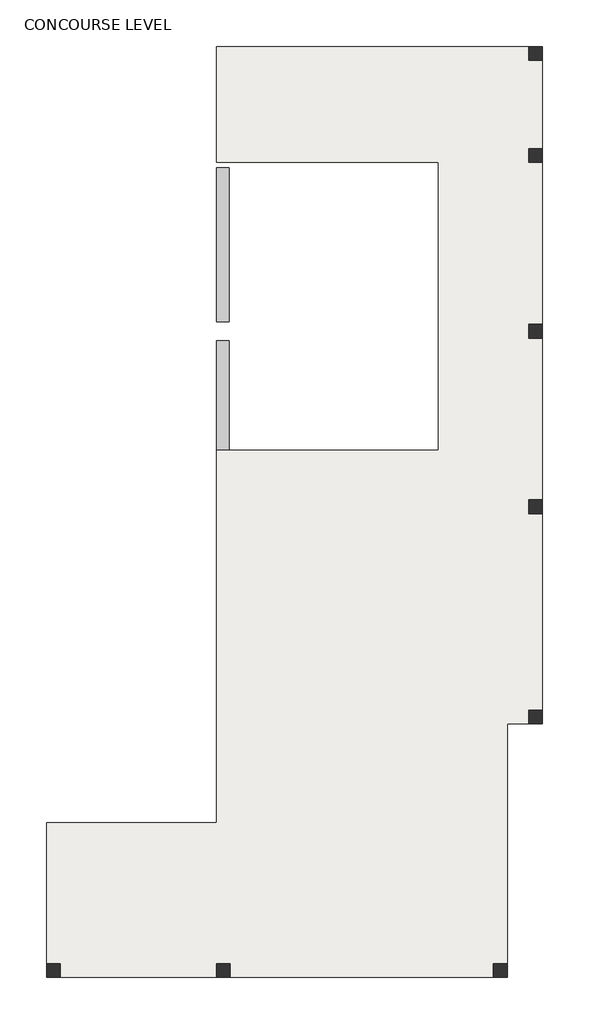
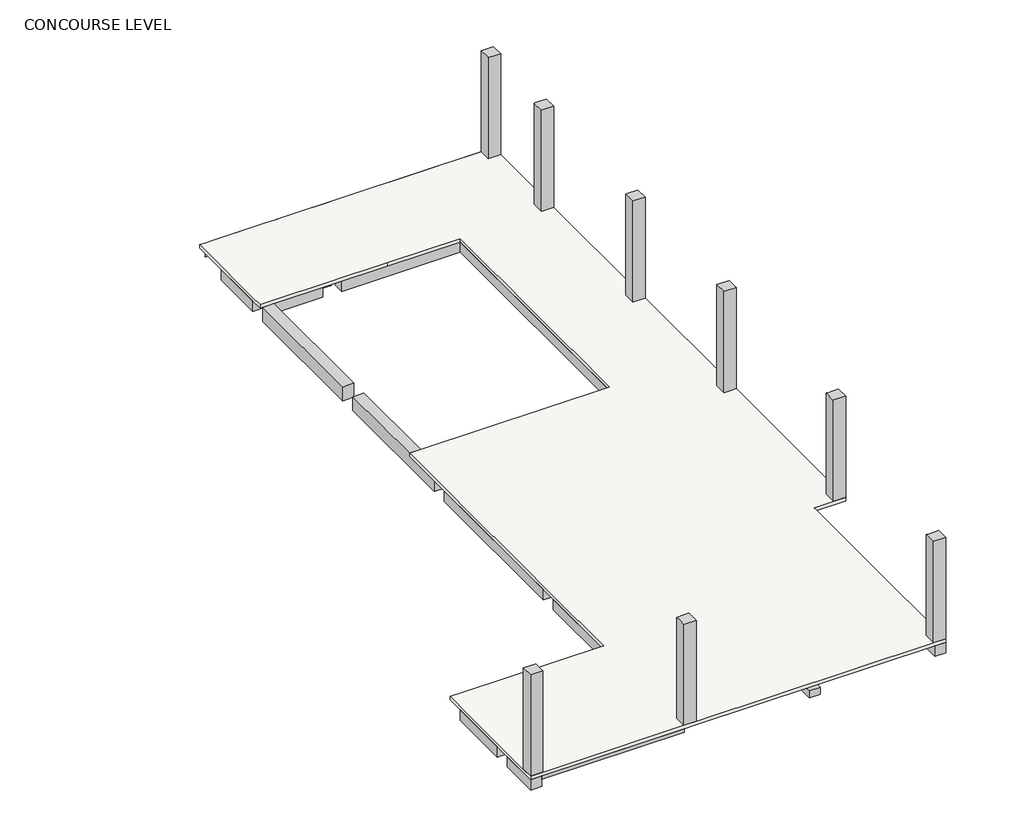
# One storey: 29 beams, 8 columns, 1 slab.
"""IFC4 building model written with IfcOpenShell, lengths in millimetres."""

from ifc_helpers import new_model, si_unit, frame, origin, place, context, project, spatial, polyline, outline, extrude, faceted_brep, element, save

model = new_model("IFC4")

# Units and contexts
model_context = context("Model", 3, world=origin())
ifc_project = project(units=[si_unit("LENGTHUNIT", "METRE", prefix="MILLI")], contexts=[model_context])

# Site, building, storey
site = spatial("IfcSite", under=ifc_project)
building = spatial("IfcBuilding", under=site)
storey = spatial("IfcBuildingStorey", under=building, Name="CONCOURSE LEVEL", Elevation=2372.8300869)

# Beams
placement = place(None, origin())
element("IfcBeam", 1, ObjectType="SFA_BEAM : 300x300mm", at=placement, inside=storey, context=model_context, shape_type="SweptSolid", body=[
    extrude(outline(polyline([(44200.0, -105.0), (44200.0, 195.0), (50005.0, 195.0), (50005.0, -105.0), (44200.0, -105.0)])), frame((0.0, 0.0, 1922.8300869), z_axis=(0.0, 0.0, 1.0), x_axis=(1.0, 0.0, 0.0)), (0.0, 0.0, 1.0), 150.0),
])
element("IfcBeam", 2, ObjectType="SFA_BEAM : 450x600mm", at=placement, inside=storey, context=model_context, shape_type="Brep", body=[
    faceted_brep([(50430.0, 32460.0, 1622.8300869), (49980.0, 32460.0, 1622.8300869), (49980.0, 32460.0, 2072.8300869), (50430.0, 32460.0, 2072.8300869), (50430.0, 30241.2049246, 2072.8300869), (50430.0, 30241.2049246, 1622.8300869), (49980.0, 30241.2049246, 1622.8300869), (49980.0, 30241.2049246, 2072.8300869)], [[[0, 1, 2, 3]], [[0, 3, 4, 5]], [[1, 0, 5, 6]], [[2, 1, 6, 7]], [[3, 2, 7, 4]], [[5, 4, 7, 6]]]),
    faceted_brep([(49980.0, 23900.0, 2222.8300869), (50430.0, 23900.0, 2222.8300869), (50430.0, 29541.2049246, 2222.8300869), (49980.0, 29541.2049246, 2222.8300869), (50430.0, 23900.0, 1622.8300869), (49980.0, 23900.0, 1622.8300869), (50430.0, 29541.2049246, 1622.8300869), (49980.0, 29541.2049246, 1622.8300869)], [[[0, 1, 2, 3]], [[4, 1, 0, 5]], [[3, 2, 6, 7]], [[1, 4, 6, 2]], [[4, 5, 7, 6]], [[5, 0, 3, 7]]]),
    faceted_brep([(50430.0, 19205.0, 2072.8300869), (49980.0, 19205.0, 2072.8300869), (49980.0, 17480.0, 2072.8300869), (50430.0, 17480.0, 2072.8300869), (50430.0, 18705.0, 2072.8300869), (50430.0, 19205.0, 2222.8300869), (49980.0, 19205.0, 2222.8300869), (50430.0, 17480.0, 1622.8300869), (49980.0, 17480.0, 1622.8300869), (50430.0, 23200.0, 2222.8300869), (50430.0, 23200.0, 1622.8300869), (49980.0, 23200.0, 1622.8300869), (49980.0, 23200.0, 2222.8300869), (50430.0, 18705.0, 1622.8300869), (50430.0, 19205.0, 1622.8300869)], [[[0, 1, 2, 3, 4]], [[1, 0, 5, 6]], [[7, 3, 2, 8]], [[9, 10, 11, 12]], [[5, 0, 4, 3, 7, 13, 14, 10, 9]], [[7, 8, 11, 10, 14, 13]], [[1, 6, 12, 11, 8, 2]], [[6, 5, 9, 12]]]),
    faceted_brep([(50430.0, 2230.0, 1622.8300869), (50430.0, 2230.0, 2072.8300869), (49980.0, 2230.0, 2072.8300869), (49980.0, 2230.0, 1622.8300869), (50430.0, 4850.0, 2072.8300869), (50430.0, 4850.0, 1622.8300869), (49980.0, 4850.0, 1622.8300869), (49980.0, 4850.0, 2072.8300869)], [[[0, 1, 2, 3]], [[4, 5, 6, 7]], [[1, 0, 5, 4]], [[0, 3, 6, 5]], [[3, 2, 7, 6]], [[2, 1, 4, 7]]]),
    faceted_brep([(50430.0, 5550.0, 1622.8300869), (50430.0, 5550.0, 2072.8300869), (49980.0, 5550.0, 2072.8300869), (49980.0, 5550.0, 1622.8300869), (50430.0, 9080.0, 2072.8300869), (50430.0, 9080.0, 1622.8300869), (49980.0, 9080.0, 1622.8300869), (49980.0, 9080.0, 2072.8300869), (50430.0, 7075.0, 1622.8300869), (50430.0, 7525.0, 1622.8300869), (50430.0, 7525.0, 2072.8300869), (50430.0, 7075.0, 2072.8300869)], [[[0, 1, 2, 3]], [[4, 5, 6, 7]], [[1, 0, 8, 9, 5, 4, 10, 11]], [[0, 3, 6, 5, 9, 8]], [[3, 2, 7, 6]], [[7, 2, 1, 11, 10, 4]]]),
    faceted_brep([(50430.0, 9780.0, 1622.8300869), (50430.0, 9780.0, 2072.8300869), (49980.0, 9780.0, 2072.8300869), (49980.0, 9780.0, 1622.8300869), (50430.0, 16780.0, 2072.8300869), (50430.0, 16780.0, 1622.8300869), (49980.0, 16780.0, 1622.8300869), (49980.0, 16780.0, 2072.8300869), (50430.0, 14405.0, 1622.8300869), (50430.0, 14855.0, 1622.8300869), (50430.0, 14855.0, 2072.8300869), (50430.0, 14405.0, 2072.8300869)], [[[0, 1, 2, 3]], [[4, 5, 6, 7]], [[1, 0, 8, 9, 5, 4, 10, 11]], [[0, 3, 6, 5, 9, 8]], [[3, 2, 7, 6]], [[7, 2, 1, 11, 10, 4]]]),
])
element("IfcBeam", 3, ObjectType="SFA_BEAM : 450x600mm", at=placement, inside=storey, context=model_context, shape_type="Brep", body=[
    faceted_brep([(53307.0, 29740.0, 1622.8300869), (58117.0, 29740.0, 1622.8300869), (58617.0, 29740.0, 1622.8300869), (60127.0, 29740.0, 1622.8300869), (60127.0, 29740.0, 2072.8300869), (58617.0, 29740.0, 2072.8300869), (58117.0, 29740.0, 2072.8300869), (53307.0, 29740.0, 2072.8300869), (60127.0, 30190.0, 1622.8300869), (53307.0, 30190.0, 1622.8300869), (56442.0, 30190.0, 1622.8300869), (56892.0, 30190.0, 1622.8300869), (53307.0, 30190.0, 2072.8300869), (56442.0, 30190.0, 2072.8300869), (56892.0, 30190.0, 2072.8300869), (60127.0, 30190.0, 2072.8300869)], [[[0, 1, 2, 3, 4, 5, 6, 7]], [[8, 3, 2, 1, 0, 9, 10, 11]], [[8, 11, 10, 9, 12, 13, 14, 15]], [[3, 8, 15, 4]], [[9, 0, 7, 12]], [[7, 6, 5, 4, 15, 14, 13, 12]]]),
])
element("IfcBeam", 4, ObjectType="SFA_BEAM : 450x600mm", at=placement, inside=storey, context=model_context, shape_type="Brep", body=[
    faceted_brep([(60627.0, 30365.0, 2072.8300869), (60627.0, 30365.0, 1622.8300869), (60627.0, 33474.5570666, 1622.8300869), (60627.0, 33474.5570666, 2072.8300869), (60177.0, 30365.0, 1622.8300869), (60177.0, 33474.5570666, 1622.8300869), (60177.0, 30365.0, 2072.8300869), (60177.0, 33474.5570666, 2072.8300869)], [[[0, 1, 2, 3]], [[1, 4, 5, 2]], [[4, 6, 7, 5]], [[4, 1, 0, 6]], [[6, 0, 3, 7]], [[3, 2, 5, 7]]]),
    faceted_brep([(60177.0, 9805.0, 1622.8300869), (60627.0, 9805.0, 1622.8300869), (60627.0, 9805.0, 2072.8300869), (60177.0, 9805.0, 2072.8300869), (60627.0, 16755.0, 1622.8300869), (60177.0, 16755.0, 1622.8300869), (60177.0, 16755.0, 2072.8300869), (60627.0, 16755.0, 2072.8300869), (60627.0, 13405.0, 1622.8300869), (60627.0, 13855.0, 1622.8300869), (60627.0, 13855.0, 2072.8300869), (60627.0, 13405.0, 2072.8300869), (60177.0, 11905.0, 1622.8300869), (60177.0, 12355.0, 1622.8300869), (60177.0, 14405.0, 1622.8300869), (60177.0, 14855.0, 1622.8300869), (60177.0, 11905.0, 2072.8300869), (60177.0, 12355.0, 2072.8300869), (60177.0, 14405.0, 2072.8300869), (60177.0, 14855.0, 2072.8300869)], [[[0, 1, 2, 3]], [[4, 5, 6, 7]], [[2, 1, 8, 9, 4, 7, 10, 11]], [[1, 0, 12, 13, 14, 15, 5, 4, 9, 8]], [[0, 3, 16, 17, 18, 19, 6, 5, 15, 14, 13, 12]], [[3, 2, 11, 10, 7, 6, 19, 18, 17, 16]]]),
    faceted_brep([(60177.0, 17505.0, 1622.8300869), (60627.0, 17505.0, 1622.8300869), (60627.0, 17505.0, 2072.8300869), (60177.0, 17505.0, 2072.8300869), (60627.0, 23175.0, 1622.8300869), (60177.0, 23175.0, 1622.8300869), (60177.0, 23175.0, 2072.8300869), (60627.0, 23175.0, 2072.8300869), (60627.0, 20115.0, 1622.8300869), (60627.0, 20565.0, 1622.8300869), (60627.0, 20565.0, 2072.8300869), (60627.0, 20115.0, 2072.8300869), (60177.0, 18705.0, 1622.8300869), (60177.0, 19205.0, 1622.8300869), (60177.0, 18705.0, 2072.8300869), (60177.0, 19205.0, 2072.8300869)], [[[0, 1, 2, 3]], [[4, 5, 6, 7]], [[2, 1, 8, 9, 4, 7, 10, 11]], [[1, 0, 12, 13, 5, 4, 9, 8]], [[0, 3, 14, 15, 6, 5, 13, 12]], [[3, 2, 11, 10, 7, 6, 15, 14]]]),
    faceted_brep([(60177.0, 23925.0, 1622.8300869), (60627.0, 23925.0, 1622.8300869), (60627.0, 23925.0, 2072.8300869), (60177.0, 23925.0, 2072.8300869), (60627.0, 29615.0, 1622.8300869), (60177.0, 29615.0, 1622.8300869), (60177.0, 29615.0, 2072.8300869), (60627.0, 29615.0, 2072.8300869), (60627.0, 26560.0, 1622.8300869), (60627.0, 27010.0, 1622.8300869), (60627.0, 27010.0, 2072.8300869), (60627.0, 26560.0, 2072.8300869)], [[[0, 1, 2, 3]], [[4, 5, 6, 7]], [[2, 1, 8, 9, 4, 7, 10, 11]], [[1, 0, 5, 4, 9, 8]], [[0, 3, 6, 5]], [[3, 2, 11, 10, 7, 6]]]),
])
element("IfcBeam", 5, ObjectType="SFA_BEAM : 450x600mm", at=placement, inside=storey, context=model_context, shape_type="Brep", body=[
    faceted_brep([(61902.0, 23325.0, 2072.8300869), (61617.0, 23325.0, 2072.8300869), (60627.0, 23325.0, 2072.8300869), (60627.0, 23325.0, 1622.8300869), (61902.0, 23325.0, 1622.8300869), (61902.0, 23325.0, 1922.8300869), (60627.0, 23775.0, 1622.8300869), (61902.0, 23775.0, 1622.8300869), (60627.0, 23775.0, 2072.8300869), (61617.0, 23775.0, 2072.8300869), (61902.0, 23775.0, 2072.8300869), (61902.0, 23775.0, 1922.8300869)], [[[0, 1, 2, 3, 4, 5]], [[3, 6, 7, 4]], [[8, 9, 10, 11, 7, 6]], [[6, 3, 2, 8]], [[2, 1, 0, 10, 9, 8]], [[4, 7, 11, 10, 0, 5]]]),
    faceted_brep([(60127.0, 23325.0, 1622.8300869), (60127.0, 23325.0, 2072.8300869), (58617.0, 23325.0, 2072.8300869), (58617.0, 23325.0, 1622.8300869), (60127.0, 23775.0, 1622.8300869), (58617.0, 23775.0, 1622.8300869), (60127.0, 23775.0, 2072.8300869), (58617.0, 23775.0, 2072.8300869)], [[[0, 1, 2, 3]], [[4, 0, 3, 5]], [[6, 4, 5, 7]], [[0, 4, 6, 1]], [[1, 6, 7, 2]], [[3, 2, 7, 5]]]),
])
element("IfcBeam", 6, ObjectType="SFA_BEAM : 450x600mm", at=placement, inside=storey, context=model_context, shape_type="SweptSolid", body=[
    extrude(outline(polyline([(60127.0, 17355.0), (60127.0, 16905.0), (50480.0, 16905.0), (50480.0, 17355.0), (60127.0, 17355.0)])), frame((0.0, 0.0, 1622.8300869), z_axis=(0.0, 0.0, 1.0), x_axis=(1.0, 0.0, 0.0)), (0.0, 0.0, 1.0), 450.0),
])
element("IfcBeam", 7, ObjectType="SFA_BEAM : 450x600mm", at=placement, inside=storey, context=model_context, shape_type="SweptSolid", body=[
    extrude(outline(polyline([(51402.0, 9205.0), (51402.0, 9655.0), (60127.0, 9655.0), (60127.0, 9205.0), (51402.0, 9205.0)])), frame((0.0, 0.0, 1622.8300869), z_axis=(0.0, 0.0, 1.0), x_axis=(1.0, 0.0, 0.0)), (0.0, 0.0, 1.0), 450.0),
])
element("IfcBeam", 8, ObjectType="SFA_BEAM : 450x600mm", at=placement, inside=storey, context=model_context, shape_type="Brep", body=[
    faceted_brep([(60127.0, 1655.0, 1622.8300869), (60127.0, 1655.0, 2072.8300869), (55528.5, 1655.0, 2072.8300869), (55078.5, 1655.0, 2072.8300869), (50480.0, 1655.0, 2072.8300869), (50480.0, 1655.0, 1622.8300869), (55078.5, 1655.0, 1622.8300869), (55528.5, 1655.0, 1622.8300869), (60127.0, 2105.0, 1622.8300869), (50480.0, 2105.0, 1622.8300869), (60127.0, 2105.0, 2072.8300869), (50480.0, 2105.0, 2072.8300869)], [[[0, 1, 2, 3, 4, 5, 6, 7]], [[8, 0, 7, 6, 5, 9]], [[10, 8, 9, 11]], [[0, 8, 10, 1]], [[1, 10, 11, 4, 3, 2]], [[5, 4, 11, 9]]]),
])
element("IfcBeam", 9, ObjectType="SFA_BEAM : 450x600mm", at=placement, inside=storey, context=model_context, shape_type="Brep", body=[
    faceted_brep([(60627.0, 5550.0, 1622.8300869), (60627.0, 9055.0, 1622.8300869), (60627.0, 9055.0, 2072.8300869), (60627.0, 5550.0, 2072.8300869), (60177.0, 5550.0, 1622.8300869), (60177.0, 7075.0, 1622.8300869), (60177.0, 7525.0, 1622.8300869), (60177.0, 9055.0, 1622.8300869), (60177.0, 5550.0, 2072.8300869), (60177.0, 7075.0, 2072.8300869), (60177.0, 7525.0, 2072.8300869), (60177.0, 9055.0, 2072.8300869)], [[[0, 1, 2, 3]], [[0, 4, 5, 6, 7, 1]], [[7, 6, 5, 4, 8, 9, 10, 11]], [[4, 0, 3, 8]], [[1, 7, 11, 2]], [[3, 2, 11, 10, 9, 8]]]),
    faceted_brep([(60177.0, 2230.0, 1622.8300869), (60627.0, 2230.0, 1622.8300869), (60627.0, 2230.0, 2072.8300869), (60177.0, 2230.0, 2072.8300869), (60627.0, 4850.0, 1622.8300869), (60177.0, 4850.0, 1622.8300869), (60177.0, 4850.0, 2072.8300869), (60627.0, 4850.0, 2072.8300869)], [[[0, 1, 2, 3]], [[4, 5, 6, 7]], [[1, 4, 7, 2]], [[1, 0, 5, 4]], [[5, 0, 3, 6]], [[3, 2, 7, 6]]]),
])
element("IfcBeam", 10, ObjectType="SFA_BEAM : 450x600mm", at=placement, inside=storey, context=model_context, shape_type="SweptSolid", body=[
    extrude(outline(polyline([(60127.0, 5550.0), (60127.0, 5100.0), (50480.0, 5100.0), (50480.0, 5550.0), (60127.0, 5550.0)])), frame((0.0, 0.0, 1622.8300869), z_axis=(0.0, 0.0, 1.0), x_axis=(1.0, 0.0, 0.0)), (0.0, 0.0, 1.0), 450.0),
])
element("IfcBeam", 11, ObjectType="SFA_BEAM : 450x600mm", at=placement, inside=storey, context=model_context, shape_type="Brep", body=[
    faceted_brep([(60177.0, 1530.0, 1622.8300869), (60177.0, -105.0, 1622.8300869), (60177.0, -105.0, 1922.8300869), (60177.0, -105.0, 2072.8300869), (60177.0, 195.0, 2072.8300869), (60177.0, 1530.0, 2072.8300869), (60627.0, 1530.0, 1622.8300869), (60627.0, -105.0, 1622.8300869), (60627.0, 1530.0, 2072.8300869), (60627.0, -105.0, 2072.8300869)], [[[0, 1, 2, 3, 4, 5]], [[0, 6, 7, 1]], [[7, 6, 8, 9]], [[6, 0, 5, 8]], [[5, 4, 3, 9, 8]], [[1, 7, 9, 3, 2]]]),
])
element("IfcBeam", 12, ObjectType="SFA_BEAM : 450x600mm", at=placement, inside=storey, context=model_context, shape_type="SweptSolid", body=[
    extrude(outline(polyline([(1655.0, 2072.8300869), (1655.0, 1622.8300869), (-105.0, 1622.8300869), (-105.0, 1922.8300869), (195.0, 1922.8300869), (195.0, 2072.8300869), (1655.0, 2072.8300869)])), frame((55078.5, 0.0, 0.0), z_axis=(1.0, 0.0, 0.0), x_axis=(0.0, 1.0, 0.0)), (0.0, 0.0, 1.0), 450.0),
])
element("IfcBeam", 13, ObjectType="SFA_BEAM : 450x600mm", at=placement, inside=storey, context=model_context, shape_type="SweptSolid", body=[
    extrude(outline(polyline([(2072.8300869, 60627.0), (1622.8300869, 60627.0), (1622.8300869, 61917.0), (1922.8300869, 61917.0), (1922.8300869, 61617.0), (2072.8300869, 61617.0), (2072.8300869, 60627.0)])), frame((0.0, 13405.0, 0.0), z_axis=(0.0, 1.0, 0.0), x_axis=(0.0, 0.0, 1.0)), (0.0, 0.0, 1.0), 450.0),
])
element("IfcBeam", 14, ObjectType="SFA_BEAM : 450x600mm", at=placement, inside=storey, context=model_context, shape_type="SweptSolid", body=[
    extrude(outline(polyline([(2072.8300869, 60627.0), (1622.8300869, 60627.0), (1622.8300869, 61917.0), (1922.8300869, 61917.0), (1922.8300869, 61617.0), (2072.8300869, 61617.0), (2072.8300869, 60627.0)])), frame((0.0, 20115.0, 0.0), z_axis=(0.0, 1.0, 0.0), x_axis=(0.0, 0.0, 1.0)), (0.0, 0.0, 1.0), 450.0),
])
element("IfcBeam", 15, ObjectType="SFA_BEAM : 450x600mm", at=placement, inside=storey, context=model_context, shape_type="Brep", body=[
    faceted_brep([(60627.0, 26560.0, 1622.8300869), (61917.0, 26560.0, 1622.8300869), (61917.0, 26560.0, 1922.8300869), (61917.0, 26560.0, 2072.8300869), (61617.0, 26560.0, 2072.8300869), (60627.0, 26560.0, 2072.8300869), (60627.0, 27010.0, 1622.8300869), (61917.0, 27010.0, 1622.8300869), (60627.0, 27010.0, 2072.8300869), (61617.0, 27010.0, 2072.8300869), (61917.0, 27010.0, 2072.8300869), (61917.0, 27010.0, 1922.8300869)], [[[0, 1, 2, 3, 4, 5]], [[0, 6, 7, 1]], [[7, 6, 8, 9, 10, 11]], [[6, 0, 5, 8]], [[5, 4, 3, 10, 9, 8]], [[1, 7, 11, 10, 3, 2]]]),
])
element("IfcBeam", 16, ObjectType="SFA_BEAM : 450x600mm", at=placement, inside=storey, context=model_context, shape_type="SweptSolid", body=[
    extrude(outline(polyline([(44250.0, 1655.0), (44250.0, 2105.0), (49980.0, 2105.0), (49980.0, 1655.0), (44250.0, 1655.0)])), frame((0.0, 0.0, 1622.8300869), z_axis=(0.0, 0.0, 1.0), x_axis=(1.0, 0.0, 0.0)), (0.0, 0.0, 1.0), 450.0),
])
element("IfcBeam", 17, ObjectType="SFA_BEAM : 450x600mm", at=placement, inside=storey, context=model_context, shape_type="SweptSolid", body=[
    extrude(outline(polyline([(44250.0, 5100.0), (44250.0, 5550.0), (49980.0, 5550.0), (49980.0, 5100.0), (44250.0, 5100.0)])), frame((0.0, 0.0, 1622.8300869), z_axis=(0.0, 0.0, 1.0), x_axis=(1.0, 0.0, 0.0)), (0.0, 0.0, 1.0), 450.0),
])
element("IfcBeam", 18, ObjectType="SFA_BEAM : 450x600mm", at=placement, inside=storey, context=model_context, shape_type="SweptSolid", body=[
    extrude(outline(polyline([(52557.0, 30215.0), (52557.0, 29765.0), (50480.0, 29765.0), (50480.0, 30215.0), (52557.0, 30215.0)])), frame((0.0, 0.0, 1622.8300869), z_axis=(0.0, 0.0, 1.0), x_axis=(1.0, 0.0, 0.0)), (0.0, 0.0, 1.0), 450.0),
])
element("IfcBeam", 19, ObjectType="SFA_BEAM : 450x600mm", at=placement, inside=storey, context=model_context, shape_type="Brep", body=[
    faceted_brep([(50205.0, 33975.7619911, 2222.8300869), (53157.0, 33975.7619911, 2222.8300869), (53157.0, 33976.0, 2222.8300869), (50205.0, 33976.0, 2222.8300869), (50205.0, 33976.0, 1622.8300869), (53157.0, 33976.0, 1622.8300869), (50481.1006505, 33526.0, 1622.8300869), (50481.1006505, 33975.7619911, 1622.8300869), (50205.0, 33975.7619911, 1622.8300869), (53157.0, 33975.7619911, 1622.8300869), (52558.1006505, 33975.7619911, 1622.8300869), (52558.1006505, 33526.0, 1622.8300869), (50481.1006505, 33526.0, 2072.8300869), (52558.1006505, 33526.0, 2072.8300869), (50481.1006505, 33975.7619911, 2072.8300869), (52558.1006505, 33975.7619911, 2072.8300869)], [[[0, 1, 2, 3]], [[4, 3, 2, 5]], [[6, 7, 8, 4, 5, 9, 10, 11]], [[12, 6, 11, 13]], [[14, 12, 13, 15]], [[7, 14, 15, 10, 9, 1, 0, 8]], [[3, 4, 8, 0]], [[14, 7, 6, 12]], [[10, 15, 13, 11]], [[5, 2, 1, 9]]]),
])
element("IfcBeam", 20, ObjectType="SFA_BEAM : 450x600mm", at=placement, inside=storey, context=model_context, shape_type="Brep", body=[
    faceted_brep([(61917.0, 33975.7619911, 2222.8300869), (61917.0, 33976.0, 2222.8300869), (53157.0, 33976.0, 2222.8300869), (53157.0, 33975.7619911, 2222.8300869), (61917.0, 33526.0, 1622.8300869), (61917.0, 33526.0, 1922.8300869), (61917.0, 33526.0, 2072.8300869), (61617.0, 33526.0, 2072.8300869), (60753.1006505, 33526.0, 2072.8300869), (60753.1006505, 33526.0, 1622.8300869), (53308.1006505, 33526.0, 1622.8300869), (53308.1006505, 33975.7619911, 1622.8300869), (53157.0, 33975.7619911, 1622.8300869), (53157.0, 33976.0, 1622.8300869), (61917.0, 33976.0, 1622.8300869), (60753.1006505, 33974.5570666, 1622.8300869), (60003.1006505, 33974.5570666, 1622.8300869), (60003.1006505, 33526.0, 1622.8300869), (56892.0, 33526.0, 1622.8300869), (56442.0, 33526.0, 1622.8300869), (53308.1006505, 33975.7619911, 2072.8300869), (53308.1006505, 33526.0, 2072.8300869), (56442.0, 33526.0, 2072.8300869), (56892.0, 33526.0, 2072.8300869), (60003.1006505, 33526.0, 2072.8300869), (60003.1006505, 33974.5570666, 2072.8300869), (60753.1006505, 33974.5570666, 2072.8300869), (61917.0, 33975.7619911, 2072.8300869)], [[[0, 1, 2, 3]], [[4, 5, 6, 7, 8, 9]], [[10, 11, 12, 13, 14, 4, 9, 15, 16, 17, 18, 19]], [[1, 14, 13, 2]], [[20, 21, 22, 23, 24, 25, 26, 8, 7, 6, 27]], [[27, 0, 3, 12, 11, 20]], [[10, 21, 20, 11]], [[4, 14, 1, 0, 27, 6, 5]], [[16, 15, 26, 25]], [[9, 8, 26, 15]], [[24, 17, 16, 25]], [[21, 10, 19, 18, 17, 24, 23, 22]], [[3, 2, 13, 12]]]),
])
element("IfcBeam", 21, ObjectType="SFA_BEAM : 450x600mm", at=placement, inside=storey, context=model_context, shape_type="SweptSolid", body=[
    extrude(outline(polyline([(53157.0, 30240.0), (52707.0, 30240.0), (52707.0, 33475.7619911), (53157.0, 33475.7619911), (53157.0, 30240.0)])), frame((0.0, 0.0, 1622.8300869), z_axis=(0.0, 0.0, 1.0), x_axis=(1.0, 0.0, 0.0)), (0.0, 0.0, 1.0), 450.0),
])
element("IfcBeam", 22, ObjectType="SFA_BEAM : 450x600mm", at=placement, inside=storey, context=model_context, shape_type="SweptSolid", body=[
    extrude(outline(polyline([(43750.0, 4850.0), (44200.0, 4850.0), (44200.0, 2230.0), (43750.0, 2230.0), (43750.0, 4850.0)])), frame((0.0, 0.0, 1622.8300869), z_axis=(0.0, 0.0, 1.0), x_axis=(1.0, 0.0, 0.0)), (0.0, 0.0, 1.0), 450.0),
])
element("IfcBeam", 23, ObjectType="SFA_BEAM : 450x600mm", at=placement, inside=storey, context=model_context, shape_type="Brep", body=[
    faceted_brep([(43750.0, 1530.0, 1622.8300869), (43750.0, -105.0, 1622.8300869), (43750.0, -105.0, 2072.8300869), (43750.0, 1530.0, 2072.8300869), (44200.0, 1530.0, 1622.8300869), (44200.0, -105.0, 1622.8300869), (44200.0, 1530.0, 2072.8300869), (44200.0, 195.0, 2072.8300869), (44200.0, -105.0, 2072.8300869), (44200.0, -105.0, 1922.8300869)], [[[0, 1, 2, 3]], [[0, 4, 5, 1]], [[5, 4, 6, 7, 8, 9]], [[4, 0, 3, 6]], [[3, 2, 8, 7, 6]], [[1, 5, 9, 8, 2]]]),
])
element("IfcBeam", 24, ObjectType="SFA_BEAM : 450x600mm", at=placement, inside=storey, context=model_context, shape_type="SweptSolid", body=[
    extrude(outline(polyline([(60177.0, 14855.0), (60177.0, 14405.0), (50430.0, 14405.0), (50430.0, 14855.0), (60177.0, 14855.0)])), frame((0.0, 0.0, 1622.8300869), z_axis=(0.0, 0.0, 1.0), x_axis=(1.0, 0.0, 0.0)), (0.0, 0.0, 1.0), 450.0),
])
element("IfcBeam", 25, ObjectType="SFA_BEAM : 450x600mm", at=placement, inside=storey, context=model_context, shape_type="SweptSolid", body=[
    extrude(outline(polyline([(56892.0, 30190.0), (56442.0, 30190.0), (56442.0, 33526.0), (56892.0, 33526.0), (56892.0, 30190.0)])), frame((0.0, 0.0, 1622.8300869), z_axis=(0.0, 0.0, 1.0), x_axis=(1.0, 0.0, 0.0)), (0.0, 0.0, 1.0), 450.0),
])
element("IfcBeam", 26, ObjectType="SFA_BEAM : 450x600mm", at=placement, inside=storey, context=model_context, shape_type="SweptSolid", body=[
    extrude(outline(polyline([(51902.0, 11905.0), (51902.0, 12355.0), (60177.0, 12355.0), (60177.0, 11905.0), (51902.0, 11905.0)])), frame((0.0, 0.0, 1622.8300869), z_axis=(0.0, 0.0, 1.0), x_axis=(1.0, 0.0, 0.0)), (0.0, 0.0, 1.0), 450.0),
])
element("IfcBeam", 27, ObjectType="SFA_BEAM : 450x600mm", at=placement, inside=storey, context=model_context, shape_type="SweptSolid", body=[
    extrude(outline(polyline([(50430.0, 7075.0), (50430.0, 7525.0), (60177.0, 7525.0), (60177.0, 7075.0), (50430.0, 7075.0)])), frame((0.0, 0.0, 1622.8300869), z_axis=(0.0, 0.0, 1.0), x_axis=(1.0, 0.0, 0.0)), (0.0, 0.0, 1.0), 450.0),
])
element("IfcBeam", 28, ObjectType="SFA_BEAM : 500x600mm", at=placement, inside=storey, context=model_context, shape_type="Brep", body=[
    faceted_brep([(50430.0, 18705.0, 2072.8300869), (50430.0, 18705.0, 1622.8300869), (60177.0, 18705.0, 1622.8300869), (60177.0, 18705.0, 2072.8300869), (50430.0, 19205.0, 1622.8300869), (58117.0, 19205.0, 1622.8300869), (58617.0, 19205.0, 1622.8300869), (60177.0, 19205.0, 1622.8300869), (50430.0, 19205.0, 2072.8300869), (58117.0, 19205.0, 2072.8300869), (58617.0, 19205.0, 2072.8300869), (60177.0, 19205.0, 2072.8300869)], [[[0, 1, 2, 3]], [[1, 4, 5, 6, 7, 2]], [[4, 8, 9, 10, 11, 7, 6, 5]], [[4, 1, 0, 8]], [[8, 0, 3, 11, 10, 9]], [[3, 2, 7, 11]]]),
])
element("IfcBeam", 29, ObjectType="SFA_BEAM : 500x600mm", at=placement, inside=storey, context=model_context, shape_type="Brep", body=[
    faceted_brep([(58117.0, 29740.0, 2072.8300869), (58117.0, 29740.0, 1622.8300869), (58117.0, 19205.0, 1622.8300869), (58117.0, 19205.0, 2072.8300869), (58117.0, 29734.99134, 2072.8300869), (58617.0, 29740.0, 1622.8300869), (58617.0, 23775.0, 1622.8300869), (58617.0, 23325.0, 1622.8300869), (58617.0, 19205.0, 1622.8300869), (58617.0, 29740.0, 2072.8300869), (58617.0, 23775.0, 2072.8300869), (58617.0, 23325.0, 2072.8300869), (58617.0, 19205.0, 2072.8300869)], [[[0, 1, 2, 3, 4]], [[1, 5, 6, 7, 8, 2]], [[5, 9, 10, 11, 12, 8, 7, 6]], [[5, 1, 0, 9]], [[9, 0, 4, 3, 12, 11, 10]], [[3, 2, 8, 12]]]),
])

# Columns
element("IfcColumn", 30, ObjectType="SCL_Rectangular : 500x500", at=placement, inside=storey, context=model_context, shape_type="Brep", body=[
    faceted_brep([(61917.0, 9680.0, 2222.8300869), (61917.0, 9180.0, 2222.8300869), (61417.0, 9180.0, 2222.8300869), (61417.0, 9680.0, 2222.8300869), (61917.0, 9680.0, 6122.8300869), (61917.0, 9680.0, 6572.8300869), (61917.0, 9180.0, 6572.8300869), (61417.0, 9180.0, 6572.8300869), (61417.0, 9205.0, 6572.8300869), (61417.0, 9655.0, 6572.8300869), (61417.0, 9680.0, 6572.8300869), (61467.0, 9680.0, 6572.8300869)], [[[0, 1, 2, 3]], [[1, 0, 4, 5, 6]], [[2, 1, 6, 7]], [[3, 2, 7, 8, 9, 10]], [[0, 3, 10, 11, 5, 4]], [[6, 5, 11, 10, 9, 8, 7]]]),
])
element("IfcColumn", 31, ObjectType="SCL_Rectangular : 500x500", at=placement, inside=storey, context=model_context, shape_type="Brep", body=[
    faceted_brep([(61917.0, 17380.0, 2222.8300869), (61917.0, 16880.0, 2222.8300869), (61417.0, 16880.0, 2222.8300869), (61417.0, 17380.0, 2222.8300869), (61917.0, 17380.0, 6122.8300869), (61917.0, 17380.0, 6572.8300869), (61917.0, 16880.0, 6572.8300869), (61917.0, 16880.0, 6122.8300869), (61467.0, 16880.0, 6572.8300869), (61417.0, 16880.0, 6572.8300869), (61417.0, 16905.0, 6572.8300869), (61417.0, 17355.0, 6572.8300869), (61417.0, 17380.0, 6572.8300869), (61467.0, 17380.0, 6572.8300869)], [[[0, 1, 2, 3]], [[1, 0, 4, 5, 6, 7]], [[2, 1, 7, 6, 8, 9]], [[3, 2, 9, 10, 11, 12]], [[0, 3, 12, 13, 5, 4]], [[6, 5, 13, 12, 11, 10, 9, 8]]]),
])
element("IfcColumn", 32, ObjectType="SCL_Rectangular : 500x500", at=placement, inside=storey, context=model_context, shape_type="Brep", body=[
    faceted_brep([(61917.0, 23800.0, 2222.8300869), (61917.0, 23300.0, 2222.8300869), (61417.0, 23300.0, 2222.8300869), (61417.0, 23800.0, 2222.8300869), (61917.0, 23800.0, 6122.8300869), (61917.0, 23800.0, 6572.8300869), (61917.0, 23300.0, 6572.8300869), (61917.0, 23300.0, 6122.8300869), (61467.0, 23300.0, 6572.8300869), (61417.0, 23300.0, 6572.8300869), (61417.0, 23325.0, 6572.8300869), (61417.0, 23775.0, 6572.8300869), (61417.0, 23800.0, 6572.8300869), (61467.0, 23800.0, 6572.8300869)], [[[0, 1, 2, 3]], [[1, 0, 4, 5, 6, 7]], [[2, 1, 7, 6, 8, 9]], [[3, 2, 9, 10, 11, 12]], [[0, 3, 12, 13, 5, 4]], [[6, 5, 13, 12, 11, 10, 9, 8]]]),
])
element("IfcColumn", 33, ObjectType="SCL_Rectangular : 500x500", at=placement, inside=storey, context=model_context, shape_type="Brep", body=[
    faceted_brep([(61917.0, 30240.0, 2222.8300869), (61917.0, 29740.0, 2222.8300869), (61417.0, 29740.0, 2222.8300869), (61417.0, 30240.0, 2222.8300869), (61917.0, 30240.0, 6122.8300869), (61917.0, 30240.0, 6572.8300869), (61917.0, 29740.0, 6572.8300869), (61917.0, 29740.0, 6122.8300869), (61467.0, 29740.0, 6572.8300869), (61417.0, 29740.0, 6572.8300869), (61417.0, 29740.0, 6122.8300869), (61417.0, 30190.0, 6572.8300869), (61417.0, 30240.0, 6572.8300869), (61467.0, 30240.0, 6572.8300869)], [[[0, 1, 2, 3]], [[1, 0, 4, 5, 6, 7]], [[2, 1, 7, 6, 8, 9, 10]], [[3, 2, 10, 9, 11, 12]], [[0, 3, 12, 13, 5, 4]], [[6, 5, 13, 12, 11, 9, 8]]]),
])
element("IfcColumn", 34, ObjectType="SCL_Rectangular : 500x500", at=placement, inside=storey, context=model_context, shape_type="Brep", body=[
    faceted_brep([(44250.0, 395.0, 2222.8300869), (44250.0, -105.0, 2222.8300869), (43750.0, -105.0, 2222.8300869), (43750.0, 395.0, 2222.8300869), (44250.0, 395.0, 6572.8300869), (44250.0, 195.0, 6572.8300869), (44250.0, -105.0, 6572.8300869), (44250.0, -105.0, 6422.8300869), (43750.0, -105.0, 6572.8300869), (43750.0, 395.0, 6572.8300869), (43750.0, 395.0, 6122.8300869), (44200.0000001, 395.0, 6572.8300869)], [[[0, 1, 2, 3]], [[1, 0, 4, 5, 6, 7]], [[2, 1, 7, 6, 8]], [[3, 2, 8, 9, 10]], [[0, 3, 10, 9, 11, 4]], [[6, 5, 4, 11, 9, 8]]]),
])
element("IfcColumn", 35, ObjectType="SCL_Rectangular : 500x500", at=placement, inside=storey, context=model_context, shape_type="Brep", body=[
    faceted_brep([(50480.0, 395.0, 2222.8300869), (50480.0, -105.0, 2222.8300869), (49980.0, -105.0, 2222.8300869), (49980.0, 395.0, 2222.8300869), (50480.0, 395.0, 6572.8300869), (50480.0, 195.0, 6572.8300869), (50480.0, -105.0, 6572.8300869), (50480.0, -105.0, 6422.8300869), (49980.0, -105.0, 6572.8300869), (49980.0, -105.0, 6422.8300869), (49980.0, 195.0, 6572.8300869), (49980.0, 395.0, 6572.8300869), (49981.1006505, 395.0, 6572.8300869), (50431.1006505, 395.0, 6572.8300869)], [[[0, 1, 2, 3]], [[1, 0, 4, 5, 6, 7]], [[2, 1, 7, 6, 8, 9]], [[3, 2, 9, 8, 10, 11]], [[0, 3, 11, 12, 13, 4]], [[6, 5, 4, 13, 12, 11, 10, 8]]]),
])
element("IfcColumn", 36, ObjectType="SCL_Rectangular : 500x500", at=placement, inside=storey, context=model_context, shape_type="Brep", body=[
    faceted_brep([(60627.0, 395.0, 2222.8300869), (60627.0, -105.0, 2222.8300869), (60127.0, -105.0, 2222.8300869), (60127.0, 395.0, 2222.8300869), (60627.0, 395.0, 6122.8300869), (60627.0, 395.0, 6572.8300869), (60627.0, -105.0, 6572.8300869), (60127.0, -105.0, 6572.8300869), (60127.0, -105.0, 6422.8300869), (60127.0, 195.0, 6572.8300869), (60127.0, 395.0, 6572.8300869), (60177.0, 395.0, 6572.8300869)], [[[0, 1, 2, 3]], [[1, 0, 4, 5, 6]], [[2, 1, 6, 7, 8]], [[3, 2, 8, 7, 9, 10]], [[0, 3, 10, 11, 5, 4]], [[6, 5, 11, 10, 9, 7]]]),
])
element("IfcColumn", 37, ObjectType="SCL_Rectangular : 500x500", at=placement, inside=storey, context=model_context, shape_type="Brep", body=[
    faceted_brep([(61917.0, 33975.7619911, 2222.8300869), (61917.0, 33475.7619911, 2222.8300869), (61417.0, 33475.7619911, 2222.8300869), (61417.0, 33975.7619911, 2222.8300869), (61917.0, 33975.7619911, 6572.8300869), (61917.0, 33475.7619911, 6572.8300869), (61917.0, 33475.7619911, 6122.8300869), (61467.0, 33475.7619911, 6572.8300869), (61417.0, 33475.7619911, 6572.8300869), (61417.0, 33525.7619911, 6572.8300869), (61417.0, 33975.7619911, 6572.8300869), (61417.0, 33975.7619911, 6122.8300869)], [[[0, 1, 2, 3]], [[1, 0, 4, 5, 6]], [[2, 1, 6, 5, 7, 8]], [[3, 2, 8, 9, 10, 11]], [[0, 3, 11, 10, 4]], [[5, 4, 10, 9, 8, 7]]]),
])

# Slab
element("IfcSlab", 38, ObjectType="FLR-STR-CON-150_RCC SLAB", at=placement, inside=storey, context=model_context, shape_type="Brep", body=[
    faceted_brep([(60627.0, -105.0, 2072.8300869), (60177.0, -105.0, 2072.8300869), (50455.0, -105.0, 2072.8300869), (50005.0, -105.0, 2072.8300869), (44200.0, -105.0, 2072.8300869), (43750.0000001, -105.0, 2072.8300869), (43750.0000001, 1530.0, 2072.8300869), (43750.0000001, 2230.0, 2072.8300869), (43750.0000001, 4850.0, 2072.8300869), (43750.0000001, 5550.0, 2072.8300869), (44250.0, 5550.0, 2072.8300869), (49980.0, 5550.0, 2072.8300869), (49980.0, 9080.0, 2072.8300869), (49980.0, 9780.0, 2072.8300869), (49980.0, 16780.0, 2072.8300869), (49980.0, 17480.0, 2072.8300869), (49980.0, 19205.0, 2072.8300869), (50430.0, 19205.0, 2072.8300869), (58117.0, 19205.0, 2072.8300869), (58117.0, 29734.99134, 2072.8300869), (55147.0, 29734.99134, 2072.8300869), (50480.0, 29734.99134, 2072.8300869), (49980.0, 29734.99134, 2072.8300869), (49980.0, 30241.2049246, 2072.8300869), (49980.0, 32460.0, 2072.8300869), (49980.0, 33975.7619911, 2072.8300869), (49981.1006505, 33975.7619911, 2072.8300869), (50481.1006505, 33975.7619911, 2072.8300869), (52558.1006505, 33975.7619911, 2072.8300869), (53308.1006505, 33975.7619911, 2072.8300869), (61917.0, 33975.7619911, 2072.8300869), (61917.0, 33526.0, 2072.8300869), (61917.0, 30245.0, 2072.8300869), (61917.0, 27010.0, 2072.8300869), (61917.0, 26560.0, 2072.8300869), (61917.0, 9655.0, 2072.8300869), (61917.0, 9205.0, 2072.8300869), (61917.0, 9180.0, 2072.8300869), (60627.0, 9180.0, 2072.8300869), (60627.0, 9085.0, 2072.8300869), (60627.0, 9055.0, 2072.8300869), (60627.0, 5550.0, 2072.8300869), (60627.0, 4850.0, 2072.8300869), (60627.0, 2230.0, 2072.8300869), (60627.0, 1530.0, 2072.8300869), (60627.0, -105.0, 2222.8300869), (60627.0, 395.0, 2222.8300869), (60627.0, 4850.0, 2222.8300869), (60627.0, 5550.0, 2222.8300869), (60627.0, 9085.0, 2222.8300869), (60627.0, 9180.0, 2222.8300869), (61417.0, 9180.0, 2222.8300869), (61917.0, 9180.0, 2222.8300869), (61917.0, 9680.0, 2222.8300869), (61917.0, 16880.0, 2222.8300869), (61917.0, 17380.0, 2222.8300869), (61917.0, 23300.0, 2222.8300869), (61917.0, 23800.0, 2222.8300869), (61917.0, 29740.0, 2222.8300869), (61917.0, 30240.0, 2222.8300869), (61917.0, 30245.0, 2222.8300869), (61917.0, 33475.7619911, 2222.8300869), (61917.0, 33975.7619911, 2222.8300869), (61417.0, 33975.7619911, 2222.8300869), (53308.1006505, 33975.7619911, 2222.8300869), (53157.0, 33975.7619911, 2222.8300869), (52558.1006505, 33975.7619911, 2222.8300869), (50481.1006505, 33975.7619911, 2222.8300869), (50205.0, 33975.7619911, 2222.8300869), (49981.1006505, 33975.7619911, 2222.8300869), (49980.0, 33975.7619911, 2222.8300869), (49980.0, 30241.2049246, 2222.8300869), (49980.0, 29734.99134, 2222.8300869), (50480.0, 29734.99134, 2222.8300869), (55147.0, 29734.99134, 2222.8300869), (58117.0, 29734.99134, 2222.8300869), (58117.0, 19205.0, 2222.8300869), (50430.0, 19205.0, 2222.8300869), (49980.0, 19205.0, 2222.8300869), (49980.0, 17480.0, 2222.8300869), (49980.0, 16780.0, 2222.8300869), (49980.0, 9780.0, 2222.8300869), (49980.0, 9080.0, 2222.8300869), (49980.0, 5550.0, 2222.8300869), (44250.0, 5550.0, 2222.8300869), (43750.0000001, 5550.0, 2222.8300869), (43750.0000001, 4850.0, 2222.8300869), (43750.0000001, 395.0, 2222.8300869), (43750.0000001, -105.0, 2222.8300869), (44250.0, -105.0, 2222.8300869), (49980.0, -105.0, 2222.8300869), (50480.0, -105.0, 2222.8300869), (60127.0, -105.0, 2222.8300869)], [[[0, 1, 2, 3, 4, 5, 6, 7, 8, 9, 10, 11, 12, 13, 14, 15, 16, 17, 18, 19, 20, 21, 22, 23, 24, 25, 26, 27, 28, 29, 30, 31, 32, 33, 34, 35, 36, 37, 38, 39, 40, 41, 42, 43, 44]], [[45, 46, 47, 48, 49, 50, 51, 52, 53, 54, 55, 56, 57, 58, 59, 60, 61, 62, 63, 64, 65, 66, 67, 68, 69, 70, 71, 72, 73, 74, 75, 76, 77, 78, 79, 80, 81, 82, 83, 84, 85, 86, 87, 88, 89, 90, 91, 92]], [[5, 4, 3, 2, 1, 0, 45, 92, 91, 90, 89, 88]], [[16, 15, 14, 13, 12, 11, 83, 82, 81, 80, 79, 78]], [[32, 31, 30, 62, 61, 60]], [[37, 36, 35, 34, 33, 32, 60, 59, 58, 57, 56, 55, 54, 53, 52]], [[38, 37, 52, 51, 50]], [[39, 38, 50, 49]], [[0, 44, 43, 42, 41, 40, 39, 49, 48, 47, 46, 45]], [[9, 8, 7, 6, 5, 88, 87, 86, 85]], [[11, 10, 9, 85, 84, 83]], [[22, 21, 20, 74, 73, 72]], [[30, 29, 28, 27, 26, 25, 70, 69, 68, 67, 66, 65, 64, 63, 62]], [[18, 17, 16, 78, 77, 76]], [[19, 18, 76, 75]], [[20, 19, 75, 74]], [[25, 24, 23, 22, 72, 71, 70]]]),
])

save(model, "model.ifc")
